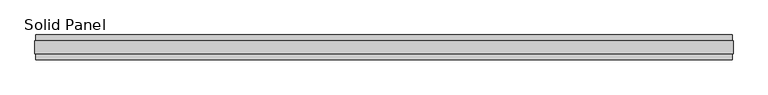
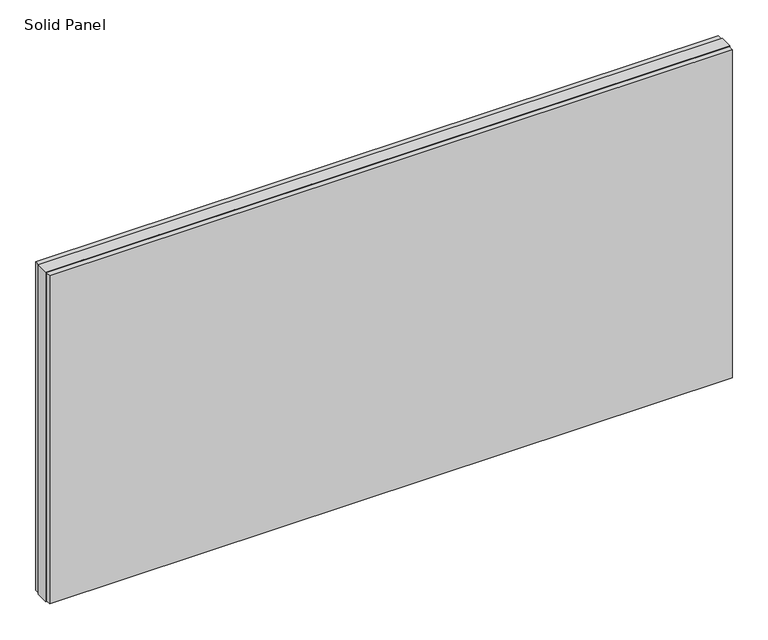
"""IFC4 building model written with IfcOpenShell, lengths in millimetres: plate geometry, Solid Panel."""

from ifc_helpers import new_model, si_unit, frame, origin, origin_with_axes, place, context, project, spatial, polyline, outline, extrude, source, transform, mapped, element, save


def solid_panel_2e1480e3(model_context):
    return source(origin(), model_context, "Body", "SweptSolid", [
        extrude(outline(polyline([(1368.6027273, -48.4531867), (-1368.6027273, -48.4531867), (-1368.6027273, -25.9961), (1368.6027273, -25.9961), (1368.6027273, -48.4531867)])), frame((0.0, 0.0, 3.0099), z_axis=(0.0, 0.0, 1.0), x_axis=(1.0, 0.0, 0.0)), (0.0, 0.0, 1.0), 1390.9802),
        extrude(outline(polyline([(1368.6027273, 25.9977), (-1368.6027273, 25.9977), (-1368.6027273, 48.4547867), (1368.6027273, 48.4547867), (1368.6027273, 25.9977)])), frame((0.0, 0.0, 3.0099), z_axis=(0.0, 0.0, 1.0), x_axis=(1.0, 0.0, 0.0)), (0.0, 0.0, 1.0), 1390.9802),
        extrude(outline(polyline([(1371.5999273, -25.9961), (-1371.5999273, -25.9961), (-1371.5999273, 25.9977), (1371.5999273, 25.9977), (1371.5999273, -25.9961)])), origin_with_axes(), (0.0, 0.0, 1.0), 1397.0),
    ])


if __name__ == "__main__":
    model = new_model("IFC4")
    model_context = context("Model", 3, world=origin())
    ifc_project = project(units=[si_unit("LENGTHUNIT", "METRE", prefix="MILLI")], contexts=[model_context])
    site = spatial("IfcSite", under=ifc_project)
    building = spatial("IfcBuilding", under=site)
    placement = place(None, origin())
    solid_panel_shape = solid_panel_2e1480e3(model_context)
    element("IfcPlate", 1, ObjectType="Solid Panel", at=placement, inside=building, context=model_context, shape_type="MappedRepresentation", body=[
        mapped(solid_panel_shape, transform((0.0, 0.0, 0.0), x_axis=(1.0, 0.0, 0.0), y_axis=(0.0, 1.0, 0.0), z_axis=(0.0, 0.0, 1.0))),
    ])
    save(model, "model.ifc")
